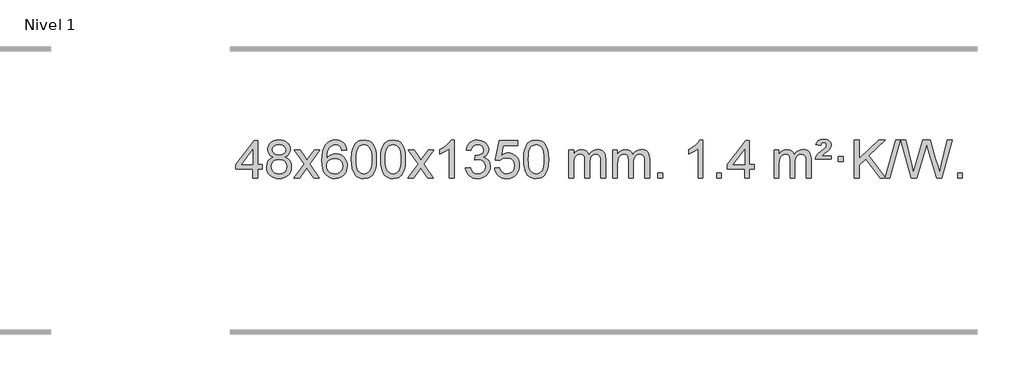
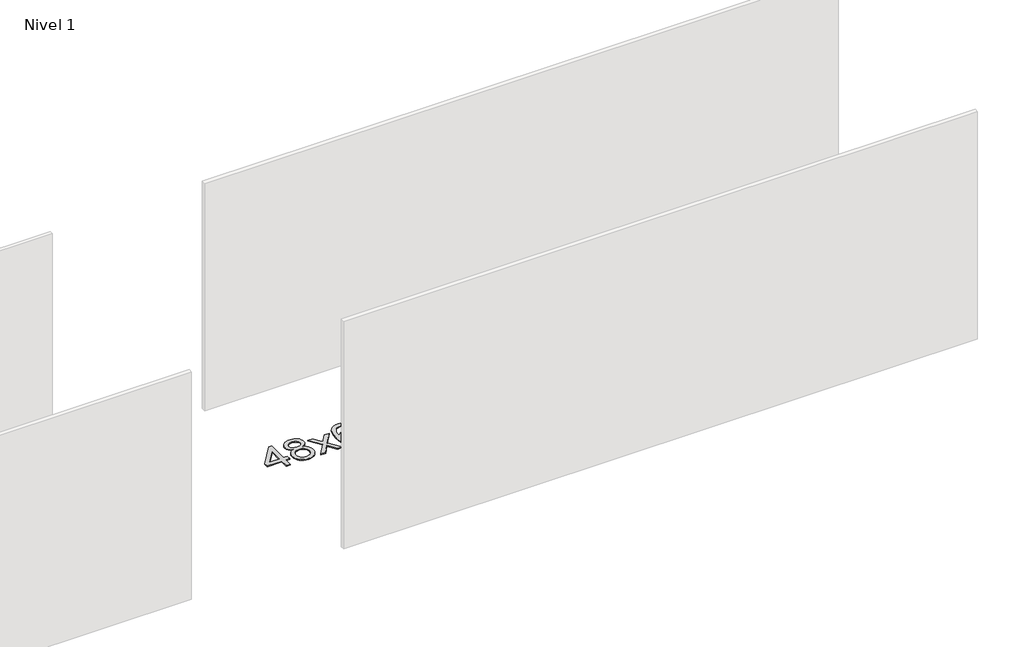
# One storey, part 10 of 10: 1 proxy.
"""IFC4 building model written with IfcOpenShell, lengths in millimetres."""

from ifc_helpers import new_model, si_unit, origin, origin_with_axes, place, context, project, spatial, polyline, outline, extrude, element, save

model = new_model("IFC4")

# Units and contexts
model_context = context("Model", 3, world=origin())
ifc_project = project(units=[si_unit("LENGTHUNIT", "METRE", prefix="MILLI")], contexts=[model_context])

# Site, building, storey
site = spatial("IfcSite", under=ifc_project)
building = spatial("IfcBuilding", under=site)
storey = spatial("IfcBuildingStorey", under=building, Name="Nivel 1", Elevation=0.0)

# Proxy
placement = place(None, origin())
element("IfcBuildingElementProxy", 1, Name="Texto de modelo 1", ObjectType="Texto de modelo 1", at=placement, inside=storey, context=model_context, shape_type="SweptSolid", body=[
    extrude(outline(polyline([(-1592.9282065, 2608.420547), (-1592.9282065, 2702.5983378), (-1775.0052686, 2702.5983378), (-1775.0052686, 2752.8264928), (-1580.3711677, 3003.9672682), (-1542.7000514, 3003.9672682), (-1542.7000514, 2752.8264928), (-1492.4718963, 2752.8264928), (-1492.4718963, 2702.5983378), (-1542.7000514, 2702.5983378), (-1542.7000514, 2608.420547), (-1592.9282065, 2608.420547)]), holes=[polyline([(-1592.9282065, 2752.8264928), (-1592.9282065, 2908.0236439), (-1713.2010934, 2752.8264928), (-1592.9282065, 2752.8264928)])]), origin_with_axes(), (0.0, 0.0, 1.0), 10.0),
    extrude(outline(polyline([(-1375.3382691, 2829.7383553), (-1402.2304429, 2842.9821071), (-1421.1027893, 2860.9347485), (-1432.2496137, 2883.2283974), (-1435.9652219, 2909.4951719), (-1433.9418709, 2929.9800676), (-1427.871818, 2948.7604435), (-1417.7550631, 2965.8362994), (-1403.5916063, 2981.2076355), (-1386.0620292, 2993.911827), (-1365.8469136, 3002.9862496), (-1342.9462594, 3008.4309031), (-1317.3600666, 3010.2457876), (-1291.6512465, 3008.3879835), (-1268.5789141, 3002.8145713), (-1248.1430692, 2993.5255509), (-1230.343712, 2980.5209224), (-1215.9227378, 2964.8491494), (-1205.6220419, 2947.5586956), (-1199.4416244, 2928.6495611), (-1197.3814853, 2908.1217457), (-1201.0480425, 2882.7010999), (-1212.0477141, 2860.7875957), (-1230.5031276, 2842.9453189), (-1256.5369101, 2829.7383553), (-1225.6225598, 2813.8090649), (-1203.1204444, 2790.3504564), (-1189.398446, 2760.4907011), (-1184.8244465, 2725.3579705), (-1187.0930521, 2700.3052067), (-1193.898869, 2677.3371074), (-1205.2418972, 2656.4536728), (-1221.1221367, 2637.6549029), (-1240.7057216, 2622.11802), (-1263.158786, 2611.0202464), (-1288.48133, 2604.3615823), (-1316.6733536, 2602.1420276), (-1344.8653771, 2604.3707794), (-1370.1879211, 2611.0570346), (-1392.6409856, 2622.2007934), (-1412.2245704, 2637.8020557), (-1428.1048099, 2656.73265), (-1439.4478381, 2677.864405), (-1446.253655, 2701.1973205), (-1448.5222606, 2726.7313967), (-1443.7643202, 2763.2252906), (-1429.4904987, 2793.2444614), (-1406.4365604, 2815.7588395), (-1375.3382691, 2829.7383553)]), holes=[polyline([(-1385.7370668, 2908.0236439), (-1381.2856946, 2886.097877), (-1367.9315782, 2868.586694), (-1346.067125, 2857.1087757), (-1316.0847424, 2853.282803), (-1286.8013355, 2857.0842503), (-1265.2679761, 2868.4885921), (-1252.0242243, 2885.4111639), (-1247.6096403, 2905.767301), (-1252.1713771, 2926.8959902), (-1265.8565873, 2944.370385), (-1287.6842523, 2956.1058206), (-1316.6733536, 2960.0176325), (-1345.8463958, 2956.1916598), (-1367.6372726, 2944.7137415), (-1381.2121182, 2927.8892716), (-1385.7370668, 2908.0236439)]), polyline([(-1398.2941056, 2728.4972302), (-1396.1971782, 2709.2815274), (-1389.9063961, 2690.6789611), (-1378.2935878, 2674.4553651), (-1360.2305818, 2662.376573), (-1338.5991205, 2654.8717803), (-1316.2809461, 2652.3701827), (-1282.092446, 2657.6308952), (-1268.1987693, 2664.2067859), (-1256.4388082, 2673.4130328), (-1240.3991532, 2697.3130998), (-1235.0526016, 2726.9276004), (-1240.5708315, 2757.0448731), (-1257.1255213, 2781.4722375), (-1269.2043134, 2790.9145421), (-1283.3677703, 2797.6590453), (-1317.9486778, 2803.0546479), (-1351.6589313, 2797.7326217), (-1365.3962581, 2791.080089), (-1377.0550517, 2781.7665431), (-1392.9843421, 2757.8051625), (-1398.2941056, 2728.4972302)])]), origin_with_axes(), (0.0, 0.0, 1.0), 10.0),
    extrude(outline(polyline([(-1159.7103689, 2608.420547), (-1052.3869282, 2756.7505675), (-1153.4318496, 2903.5109581), (-1093.0011005, 2903.5109581), (-1044.2444734, 2832.877615), (-1021.4848406, 2799.5229808), (-1001.7663657, 2826.7952993), (-946.2407099, 2903.5109581), (-885.8099608, 2903.5109581), (-991.9561791, 2756.7505675), (-889.7340354, 2608.420547), (-950.1647845, 2608.420547), (-1011.6746541, 2697.5951426), (-1022.9563686, 2713.8800523), (-1099.2796199, 2608.420547), (-1159.7103689, 2608.420547)])), origin_with_axes(), (0.0, 0.0, 1.0), 10.0),
    extrude(outline(polyline([(-600.9221437, 2903.5109581), (-651.1502988, 2897.2324387), (-659.2437027, 2922.125787), (-670.1820607, 2939.1219352), (-692.9662189, 2954.7937082), (-720.5083176, 2960.0176325), (-743.8565616, 2956.9764747), (-765.8313794, 2947.8530012), (-784.7037258, 2928.6372983), (-800.1179814, 2902.1865829), (-810.5290419, 2864.772984), (-814.3918028, 2812.6686307), (-794.2441322, 2836.1762902), (-770.0988106, 2852.7432427), (-743.3047386, 2862.565692), (-715.2108169, 2865.8398418), (-691.077758, 2863.601893), (-668.8086346, 2856.8880466), (-648.4034466, 2845.6983025), (-629.862194, 2830.0326609), (-614.4540698, 2810.8230894), (-603.4482668, 2789.0015557), (-596.844785, 2764.5680599), (-594.6436244, 2737.5226018), (-598.7884282, 2701.5560055), (-611.2228396, 2668.213634), (-630.9167891, 2639.9357713), (-656.840207, 2619.1627013), (-687.815871, 2606.397196), (-722.6665587, 2602.1420276), (-752.6090874, 2604.9624563), (-779.6514797, 2613.4237421), (-803.7937357, 2627.5258853), (-825.0358552, 2647.2688857), (-842.3539001, 2673.4866092), (-854.7239322, 2707.0129217), (-862.1459515, 2747.8478232), (-864.6199579, 2795.9913136), (-861.8731057, 2849.9657337), (-853.632549, 2896.0306908), (-839.8982878, 2934.1861851), (-820.6703222, 2964.4322165), (-799.8298072, 2984.4756538), (-775.6660915, 2998.7923948), (-748.179175, 3007.3824394), (-717.3690579, 3010.2457876), (-694.2354118, 3008.4738227), (-673.2967949, 3003.1579278), (-654.5532073, 2994.2981031), (-638.0046489, 2981.8943485), (-624.0987094, 2966.3635969), (-613.2829788, 2948.1227814), (-605.5574569, 2927.1719017), (-600.9221437, 2903.5109581)]), holes=[polyline([(-814.3918028, 2738.3074168), (-811.485535, 2716.0505561), (-802.7667318, 2694.7992395), (-789.2286743, 2676.527767), (-771.8646442, 2663.2104388), (-750.9076332, 2655.0802467), (-726.5906333, 2652.3701827), (-693.4444655, 2657.9865145), (-679.5293291, 2665.0069292), (-667.3861575, 2674.8355099), (-657.5361171, 2687.0737176), (-650.500374, 2701.3230135), (-644.8717794, 2735.8548701), (-650.4267976, 2769.0010379), (-657.3705702, 2782.6218688), (-667.0918519, 2794.274531), (-679.2718117, 2803.6095366), (-693.5916183, 2810.2773978), (-728.6507725, 2815.6116867), (-761.7478893, 2810.2773978), (-789.4248781, 2794.274531), (-800.3479076, 2782.7751529), (-808.1500716, 2769.6141746), (-812.83137, 2754.7915958), (-814.3918028, 2738.3074168)])]), origin_with_axes(), (0.0, 0.0, 1.0), 10.0),
    extrude(outline(polyline([(-550.6939887, 2806.0958057), (-547.002906, 2870.4138412), (-535.9296579, 2921.7088541), (-517.5846091, 2960.7656593), (-505.7265461, 2975.9990395), (-492.0781241, 2988.3690716), (-476.5933578, 2997.9401349), (-459.2262619, 3004.7766086), (-418.8450816, 3010.2457876), (-387.8939431, 3007.008426), (-360.1801661, 2997.2963414), (-337.0036004, 2981.4896783), (-319.6640957, 2959.9685816), (-306.5674967, 2932.9169922), (-296.119648, 2900.5188512), (-289.2770429, 2859.3773814), (-286.9961745, 2806.0958057), (-290.650469, 2742.1456523), (-301.6133525, 2690.9732667), (-319.8480367, 2651.8796734), (-331.6785085, 2636.6003078), (-345.3177335, 2624.1658964), (-360.8208939, 2614.5304538), (-378.2431721, 2607.6479948), (-418.8450816, 2602.1420276), (-446.5098076, 2604.5332606), (-471.035274, 2611.7069595), (-492.4214806, 2623.6631243), (-510.6684276, 2640.4017551), (-528.1796106, 2670.6600492), (-540.6875984, 2708.3618224), (-548.1923911, 2753.5070745), (-550.6939887, 2806.0958057)]), holes=[polyline([(-500.4658336, 2806.1939076), (-498.9943056, 2762.5293805), (-494.5797217, 2727.1851178), (-487.2220818, 2700.1611196), (-476.9213859, 2681.4573858), (-464.462449, 2668.7317344), (-450.630086, 2659.6419835), (-435.4242968, 2654.1881329), (-418.8450816, 2652.3701827), (-402.2658663, 2654.1942643), (-387.0600772, 2659.6665089), (-373.2277142, 2668.7869167), (-360.7687773, 2681.5554876), (-350.4680814, 2700.2898783), (-343.1104415, 2727.3077451), (-338.6958576, 2762.6090882), (-337.2243296, 2806.1939076), (-338.6468066, 2848.7026722), (-342.9142378, 2883.4246011), (-350.026623, 2910.3596945), (-359.9839624, 2929.5079524), (-372.2344328, 2942.8559375), (-386.2262114, 2952.3902125), (-401.959298, 2958.1107775), (-419.4336928, 2960.0176325), (-435.9270689, 2958.3376381), (-450.8753406, 2953.2976548), (-464.278508, 2944.8976825), (-476.136571, 2933.1377214), (-486.7806234, 2912.291075), (-494.3835179, 2884.1848906), (-498.9452547, 2848.8191681), (-500.4658336, 2806.1939076)])]), origin_with_axes(), (0.0, 0.0, 1.0), 10.0),
    extrude(outline(polyline([(-243.0465388, 2806.0958057), (-239.3554561, 2870.4138412), (-228.2822081, 2921.7088541), (-209.9371593, 2960.7656593), (-198.0790963, 2975.9990395), (-184.4306743, 2988.3690716), (-168.945908, 2997.9401349), (-151.5788121, 3004.7766086), (-111.1976318, 3010.2457876), (-80.2464932, 3007.008426), (-52.5327163, 2997.2963414), (-29.3561506, 2981.4896783), (-12.0166459, 2959.9685816), (1.0799532, 2932.9169922), (11.5278018, 2900.5188512), (18.3704069, 2859.3773814), (20.6512753, 2806.0958057), (16.9969808, 2742.1456523), (6.0340974, 2690.9732667), (-12.2005869, 2651.8796734), (-24.0310587, 2636.6003078), (-37.6702837, 2624.1658964), (-53.1734441, 2614.5304538), (-70.5957222, 2607.6479948), (-111.1976318, 2602.1420276), (-138.8623578, 2604.5332606), (-163.3878241, 2611.7069595), (-184.7740308, 2623.6631243), (-203.0209778, 2640.4017551), (-220.5321607, 2670.6600492), (-233.0401486, 2708.3618224), (-240.5449413, 2753.5070745), (-243.0465388, 2806.0958057)]), holes=[polyline([(-192.8183838, 2806.1939076), (-191.3468558, 2762.5293805), (-186.9322718, 2727.1851178), (-179.5746319, 2700.1611196), (-169.2739361, 2681.4573858), (-156.8149992, 2668.7317344), (-142.9826361, 2659.6419835), (-127.776847, 2654.1881329), (-111.1976318, 2652.3701827), (-94.6184165, 2654.1942643), (-79.4126274, 2659.6665089), (-65.5802644, 2668.7869167), (-53.1213275, 2681.5554876), (-42.8206316, 2700.2898783), (-35.4629917, 2727.3077451), (-31.0484077, 2762.6090882), (-29.5768798, 2806.1939076), (-30.9993568, 2848.7026722), (-35.266788, 2883.4246011), (-42.3791732, 2910.3596945), (-52.3365125, 2929.5079524), (-64.586983, 2942.8559375), (-78.5787615, 2952.3902125), (-94.3118482, 2958.1107775), (-111.786243, 2960.0176325), (-128.2796191, 2958.3376381), (-143.2278908, 2953.2976548), (-156.6310582, 2944.8976825), (-168.4891211, 2933.1377214), (-179.1331735, 2912.291075), (-186.7360681, 2884.1848906), (-191.2978048, 2848.8191681), (-192.8183838, 2806.1939076)])]), origin_with_axes(), (0.0, 0.0, 1.0), 10.0),
    extrude(outline(polyline([(45.7653528, 2608.420547), (153.0887936, 2756.7505675), (52.0438722, 2903.5109581), (112.4746213, 2903.5109581), (161.2312484, 2832.877615), (183.9908812, 2799.5229808), (203.7093561, 2826.7952993), (259.2350119, 2903.5109581), (319.665761, 2903.5109581), (213.5195426, 2756.7505675), (315.7416864, 2608.420547), (255.3109373, 2608.420547), (193.8010677, 2697.5951426), (182.5193532, 2713.8800523), (106.1961019, 2608.420547), (45.7653528, 2608.420547)])), origin_with_axes(), (0.0, 0.0, 1.0), 10.0),
    extrude(outline(polyline([(535.4898648, 2608.420547), (485.2617098, 2608.420547), (485.2617098, 2921.5617013), (464.292436, 2904.6023413), (437.682305, 2887.6675068), (384.8053996, 2862.3081746), (384.8053996, 2909.7894775), (424.2546122, 2931.2492605), (458.4308496, 2956.780271), (485.3720743, 2983.9299622), (503.1162492, 3010.2457876), (535.4898648, 3010.2457876), (535.4898648, 2608.420547)])), origin_with_axes(), (0.0, 0.0, 1.0), 10.0),
    extrude(outline(polyline([(654.7817331, 2715.1553765), (705.0098882, 2721.4338959), (716.2548145, 2689.8696207), (732.7236652, 2668.5569905), (755.2257805, 2656.4168846), (784.570501, 2652.3701827), (819.0042558, 2657.9374636), (833.2780772, 2664.8965646), (845.5898613, 2674.6393061), (862.5860095, 2699.5571799), (868.2513922, 2729.7725545), (862.6350604, 2758.4550874), (845.786065, 2781.7174922), (820.27958, 2797.1317478), (788.6907794, 2802.269833), (753.4722097, 2796.7761285), (759.064016, 2847.0042836), (767.108369, 2846.4156724), (797.2011162, 2850.020916), (824.1055528, 2860.8366466), (835.1788008, 2869.0158897), (843.0882637, 2879.1326445), (847.8339415, 2891.1869112), (849.415834, 2905.1786898), (844.8295718, 2926.8714648), (831.0707852, 2944.4684869), (810.076986, 2956.1303461), (783.7856861, 2960.0176325), (757.4453352, 2956.0935579), (735.9119758, 2944.3213341), (720.1911519, 2924.700961), (711.2884076, 2897.2324387), (661.0602525, 2903.5109581), (667.0138095, 2927.4907328), (675.8491087, 2948.6132907), (687.5661503, 2966.8786317), (702.1649341, 2982.286756), (719.1856078, 2994.5188323), (738.1683187, 3003.2560297), (759.113067, 3008.4983481), (782.0198525, 3010.2457876), (813.5963904, 3006.7999596), (842.5977544, 2996.4624755), (867.0496443, 2980.1530404), (884.9777602, 2958.7913592), (895.9774319, 2934.1800537), (899.6439891, 2908.1217457), (896.1613729, 2883.8415341), (885.7135242, 2861.8176653), (868.4475959, 2843.0556835), (844.5107408, 2828.5611329), (875.9523886, 2815.8569414), (899.2515817, 2794.22548), (913.6725559, 2764.8439714), (918.4795473, 2728.8896377), (916.0760516, 2703.4076782), (908.8655645, 2679.9368069), (896.848086, 2658.4770238), (880.023616, 2639.028329), (859.5264575, 2622.8905722), (836.4909133, 2611.363603), (810.9169832, 2604.4474215), (782.8046674, 2602.1420276), (757.3962843, 2604.1101963), (734.2442441, 2610.0147023), (713.3485468, 2619.8555457), (694.7091923, 2633.6327264), (679.0803389, 2650.5369041), (667.2161446, 2669.7587383), (659.1166093, 2691.2982292), (654.7817331, 2715.1553765)])), origin_with_axes(), (0.0, 0.0, 1.0), 10.0),
    extrude(outline(polyline([(962.429183, 2715.1553765), (1012.657338, 2721.4338959), (1021.8789134, 2691.2798351), (1037.9676193, 2669.6851619), (1060.8498794, 2656.6989275), (1090.4521173, 2652.3701827), (1109.581981, 2653.8754332), (1126.4555019, 2658.3911847), (1141.0726798, 2665.9174372), (1153.4335149, 2676.4541906), (1163.2620955, 2689.480279), (1170.2825102, 2704.4745359), (1175.898842, 2740.3675559), (1170.6381295, 2774.1636486), (1164.0622388, 2788.0818507), (1154.8559919, 2800.0134901), (1142.9887319, 2809.5845533), (1128.4298019, 2816.4210271), (1091.2369322, 2821.8902061), (1066.8708814, 2819.7074396), (1047.1401437, 2813.1591401), (1031.3825316, 2803.1282243), (1018.9358574, 2790.4976092), (968.7077023, 2796.7761285), (1012.657338, 3003.9672682), (1207.291439, 3003.9672682), (1207.291439, 2953.7391131), (1053.2715103, 2953.7391131), (1031.7872018, 2843.080209), (1049.5129826, 2855.7844006), (1067.667959, 2864.8588231), (1086.2521312, 2870.3034766), (1105.265499, 2872.1183612), (1129.726586, 2869.8681496), (1152.1949788, 2863.117515), (1172.6706775, 2851.8664573), (1191.1536821, 2836.1149766), (1206.4545074, 2816.8256973), (1217.3836684, 2794.961244), (1223.9411649, 2770.5216168), (1226.1269971, 2743.5068156), (1224.1588284, 2717.4852958), (1218.2543224, 2693.2786606), (1208.413479, 2670.8869098), (1194.6362983, 2650.3100435), (1173.7651265, 2629.2365366), (1149.4113384, 2614.1840316), (1121.5749341, 2605.1525286), (1090.2559136, 2602.1420276), (1064.3355613, 2604.0764738), (1040.922938, 2609.8798123), (1020.0180436, 2619.552043), (1001.6208782, 2633.0931662), (986.3139215, 2649.8287312), (974.6796534, 2669.084288), (966.7180739, 2690.8598364), (962.429183, 2715.1553765)])), origin_with_axes(), (0.0, 0.0, 1.0), 10.0),
    extrude(outline(polyline([(1270.0766328, 2806.0958057), (1273.7677155, 2870.4138412), (1284.8409635, 2921.7088541), (1303.1860124, 2960.7656593), (1315.0440753, 2975.9990395), (1328.6924974, 2988.3690716), (1344.1772637, 2997.9401349), (1361.5443595, 3004.7766086), (1401.9255399, 3010.2457876), (1432.8766784, 3007.008426), (1460.5904554, 2997.2963414), (1483.7670211, 2981.4896783), (1501.1065258, 2959.9685816), (1514.2031248, 2932.9169922), (1524.6509735, 2900.5188512), (1531.4935786, 2859.3773814), (1533.7744469, 2806.0958057), (1530.1201525, 2742.1456523), (1519.157269, 2690.9732667), (1500.9225848, 2651.8796734), (1489.0921129, 2636.6003078), (1475.452888, 2624.1658964), (1459.9497276, 2614.5304538), (1442.5274494, 2607.6479948), (1401.9255399, 2602.1420276), (1374.2608138, 2604.5332606), (1349.7353475, 2611.7069595), (1328.3491408, 2623.6631243), (1310.1021939, 2640.4017551), (1292.5910109, 2670.6600492), (1280.0830231, 2708.3618224), (1272.5782304, 2753.5070745), (1270.0766328, 2806.0958057)]), holes=[polyline([(1320.3047879, 2806.1939076), (1321.7763158, 2762.5293805), (1326.1908998, 2727.1851178), (1333.5485397, 2700.1611196), (1343.8492356, 2681.4573858), (1356.3081725, 2668.7317344), (1370.1405355, 2659.6419835), (1385.3463246, 2654.1881329), (1401.9255399, 2652.3701827), (1418.5047551, 2654.1942643), (1433.7105442, 2659.6665089), (1447.5429073, 2668.7869167), (1460.0018442, 2681.5554876), (1470.30254, 2700.2898783), (1477.6601799, 2727.3077451), (1482.0747639, 2762.6090882), (1483.5462919, 2806.1939076), (1482.1238148, 2848.7026722), (1477.8563837, 2883.4246011), (1470.7439984, 2910.3596945), (1460.7866591, 2929.5079524), (1448.5361887, 2942.8559375), (1434.5444101, 2952.3902125), (1418.8113234, 2958.1107775), (1401.3369287, 2960.0176325), (1384.8435526, 2958.3376381), (1369.8952808, 2953.2976548), (1356.4921135, 2944.8976825), (1344.6340505, 2933.1377214), (1333.9899981, 2912.291075), (1326.3871035, 2884.1848906), (1321.8253668, 2848.8191681), (1320.3047879, 2806.1939076)])]), origin_with_axes(), (0.0, 0.0, 1.0), 10.0),
    extrude(outline(polyline([(1747.244106, 2608.420547), (1747.244106, 2903.5109581), (1797.4722611, 2903.5109581), (1797.4722611, 2854.9505347), (1812.5799483, 2877.2564463), (1832.0041177, 2894.7308411), (1855.0825815, 2906.0248184), (1881.1531522, 2909.7894775), (1909.0876584, 2905.951242), (1931.4794092, 2894.4365355), (1948.2057772, 2876.0056476), (1959.1441352, 2851.4188676), (1977.4523959, 2876.9560094), (1998.3358304, 2895.196825), (2021.794439, 2906.1413143), (2047.8282215, 2909.7894775), (2067.9360383, 2908.2719642), (2085.585177, 2903.7194245), (2100.7756377, 2896.1318584), (2113.5074204, 2885.5092658), (2123.5720587, 2871.7290194), (2130.761086, 2854.6684918), (2135.0745024, 2834.3276832), (2136.5123078, 2810.7065934), (2136.5123078, 2608.420547), (2086.2841528, 2608.420547), (2086.2841528, 2789.124183), (2085.1191931, 2814.1769469), (2081.6243142, 2831.0627305), (2075.0760146, 2842.6264879), (2064.7507933, 2851.7131732), (2051.4702533, 2857.5992851), (2036.0559977, 2859.5613224), (2008.8449928, 2854.5336018), (1986.6617085, 2839.45044), (1978.0563355, 2827.8805512), (1971.9096405, 2813.2817674), (1966.9922845, 2774.9975144), (1966.9922845, 2608.420547), (1916.7641294, 2608.420547), (1916.7641294, 2794.7159894), (1913.8578616, 2823.1164794), (1905.1390583, 2843.3745146), (1889.7983791, 2855.5146204), (1867.0264836, 2859.5613224), (1847.6758907, 2856.8635211), (1829.8458767, 2848.7701172), (1815.1305968, 2835.4773144), (1805.1242066, 2817.1813165), (1799.3852475, 2791.7974589), (1797.4722611, 2757.2410768), (1797.4722611, 2608.420547), (1747.244106, 2608.420547)])), origin_with_axes(), (0.0, 0.0, 1.0), 10.0),
    extrude(outline(polyline([(2211.8545404, 2608.420547), (2211.8545404, 2903.5109581), (2262.0826955, 2903.5109581), (2262.0826955, 2854.9505347), (2277.1903828, 2877.2564463), (2296.6145521, 2894.7308411), (2319.693016, 2906.0248184), (2345.7635867, 2909.7894775), (2373.6980929, 2905.951242), (2396.0898436, 2894.4365355), (2412.8162117, 2876.0056476), (2423.7545697, 2851.4188676), (2442.0628303, 2876.9560094), (2462.9462649, 2895.196825), (2486.4048734, 2906.1413143), (2512.438656, 2909.7894775), (2532.5464727, 2908.2719642), (2550.1956114, 2903.7194245), (2565.3860721, 2896.1318584), (2578.1178548, 2885.5092658), (2588.1824931, 2871.7290194), (2595.3715204, 2854.6684918), (2599.6849368, 2834.3276832), (2601.1227423, 2810.7065934), (2601.1227423, 2608.420547), (2550.8945872, 2608.420547), (2550.8945872, 2789.124183), (2549.7296276, 2814.1769469), (2546.2347486, 2831.0627305), (2539.6864491, 2842.6264879), (2529.3612278, 2851.7131732), (2516.0806877, 2857.5992851), (2500.6664321, 2859.5613224), (2473.4554272, 2854.5336018), (2451.2721429, 2839.45044), (2442.6667699, 2827.8805512), (2436.5200749, 2813.2817674), (2431.6027189, 2774.9975144), (2431.6027189, 2608.420547), (2381.3745638, 2608.420547), (2381.3745638, 2794.7159894), (2378.4682961, 2823.1164794), (2369.7494928, 2843.3745146), (2354.4088136, 2855.5146204), (2331.6369181, 2859.5613224), (2312.2863251, 2856.8635211), (2294.4563111, 2848.7701172), (2279.7410313, 2835.4773144), (2269.734641, 2817.1813165), (2263.9956819, 2791.7974589), (2262.0826955, 2757.2410768), (2262.0826955, 2608.420547), (2211.8545404, 2608.420547)])), origin_with_axes(), (0.0, 0.0, 1.0), 10.0),
    extrude(outline(polyline([(2689.0220137, 2608.420547), (2689.0220137, 2658.6487021), (2739.2501687, 2658.6487021), (2739.2501687, 2608.420547), (2689.0220137, 2608.420547)])), origin_with_axes(), (0.0, 0.0, 1.0), 10.0),
    extrude(outline(polyline([(3166.1894869, 2608.420547), (3115.9613318, 2608.420547), (3115.9613318, 2921.5617013), (3094.9920581, 2904.6023413), (3068.3819271, 2887.6675068), (3015.5050216, 2862.3081746), (3015.5050216, 2909.7894775), (3054.9542343, 2931.2492605), (3089.1304716, 2956.780271), (3116.0716964, 2983.9299622), (3133.8158713, 3010.2457876), (3166.1894869, 3010.2457876), (3166.1894869, 2608.420547)])), origin_with_axes(), (0.0, 0.0, 1.0), 10.0),
    extrude(outline(polyline([(3310.5954327, 2608.420547), (3310.5954327, 2658.6487021), (3360.8235878, 2658.6487021), (3360.8235878, 2608.420547), (3310.5954327, 2608.420547)])), origin_with_axes(), (0.0, 0.0, 1.0), 10.0),
    extrude(outline(polyline([(3605.6858438, 2608.420547), (3605.6858438, 2702.5983378), (3423.6087816, 2702.5983378), (3423.6087816, 2752.8264928), (3618.2428825, 3003.9672682), (3655.9139988, 3003.9672682), (3655.9139988, 2752.8264928), (3706.1421539, 2752.8264928), (3706.1421539, 2702.5983378), (3655.9139988, 2702.5983378), (3655.9139988, 2608.420547), (3605.6858438, 2608.420547)]), holes=[polyline([(3605.6858438, 2752.8264928), (3605.6858438, 2908.0236439), (3485.4129568, 2752.8264928), (3605.6858438, 2752.8264928)])]), origin_with_axes(), (0.0, 0.0, 1.0), 10.0),
    extrude(outline(polyline([(3919.611813, 2608.420547), (3919.611813, 2903.5109581), (3969.8399681, 2903.5109581), (3969.8399681, 2854.9505347), (3984.9476553, 2877.2564463), (4004.3718247, 2894.7308411), (4027.4502885, 2906.0248184), (4053.5208592, 2909.7894775), (4081.4553654, 2905.951242), (4103.8471162, 2894.4365355), (4120.5734842, 2876.0056476), (4131.5118422, 2851.4188676), (4149.8201028, 2876.9560094), (4170.7035374, 2895.196825), (4194.162146, 2906.1413143), (4220.1959285, 2909.7894775), (4240.3037452, 2908.2719642), (4257.952884, 2903.7194245), (4273.1433447, 2896.1318584), (4285.8751274, 2885.5092658), (4295.9397656, 2871.7290194), (4303.128793, 2854.6684918), (4307.4422094, 2834.3276832), (4308.8800148, 2810.7065934), (4308.8800148, 2608.420547), (4258.6518597, 2608.420547), (4258.6518597, 2789.124183), (4257.4869001, 2814.1769469), (4253.9920211, 2831.0627305), (4247.4437216, 2842.6264879), (4237.1185003, 2851.7131732), (4223.8379603, 2857.5992851), (4208.4237047, 2859.5613224), (4181.2126998, 2854.5336018), (4159.0294155, 2839.45044), (4150.4240424, 2827.8805512), (4144.2773474, 2813.2817674), (4139.3599914, 2774.9975144), (4139.3599914, 2608.420547), (4089.1318364, 2608.420547), (4089.1318364, 2794.7159894), (4086.2255686, 2823.1164794), (4077.5067653, 2843.3745146), (4062.1660861, 2855.5146204), (4039.3941906, 2859.5613224), (4020.0435977, 2856.8635211), (4002.2135836, 2848.7701172), (3987.4983038, 2835.4773144), (3977.4919136, 2817.1813165), (3971.7529544, 2791.7974589), (3969.8399681, 2757.2410768), (3969.8399681, 2608.420547), (3919.611813, 2608.420547)])), origin_with_axes(), (0.0, 0.0, 1.0), 10.0),
    extrude(outline(polyline([(4352.8296505, 2809.3331673), (4356.6556233, 2825.1520931), (4364.9942818, 2841.0200698), (4386.5031158, 2866.1586728), (4418.4597984, 2893.8969753), (4462.6056379, 2931.273786), (4469.7425486, 2942.8007552), (4472.1215188, 2954.6220299), (4470.2330579, 2966.7130848), (4464.5676752, 2976.4987459), (4455.198947, 2982.973469), (4442.2004499, 2985.1317101), (4429.7660384, 2983.5130293), (4420.9123451, 2978.656987), (4414.4866729, 2969.1901569), (4409.336325, 2953.7391131), (4359.1081699, 2960.0176325), (4369.948426, 2985.2298119), (4386.5766922, 3002.7900458), (4410.3418691, 3013.0907417), (4442.5928573, 3016.524307), (4478.3755127, 3012.3917659), (4503.1217083, 2999.9941427), (4517.5426825, 2981.6613566), (4522.3496739, 2959.7233269), (4518.253921, 2936.8165414), (4505.9666624, 2915.1850801), (4485.438847, 2895.3685032), (4448.9694786, 2867.3113697), (4423.3648917, 2840.7257642), (4522.3496739, 2840.7257642), (4522.3496739, 2809.3331673), (4352.8296505, 2809.3331673)])), origin_with_axes(), (0.0, 0.0, 1.0), 10.0),
    extrude(outline(polyline([(4597.6919065, 2784.2190898), (4597.6919065, 2834.4472448), (4647.9200616, 2834.4472448), (4647.9200616, 2784.2190898), (4597.6919065, 2784.2190898)])), origin_with_axes(), (0.0, 0.0, 1.0), 10.0),
    extrude(outline(polyline([(5038.5616895, 2608.420547), (4885.1303721, 2811.0990009), (4817.440085, 2746.5479735), (4817.440085, 2608.420547), (4767.2119299, 2608.420547), (4767.2119299, 3010.2457876), (4817.440085, 3010.2457876), (4817.440085, 2813.5515475), (5023.4540023, 3010.2457876), (5093.6949379, 3010.2457876), (4920.7413492, 2845.0422463), (5095.3949591, 2614.4650668), (5206.7082868, 3010.2457876), (5252.0313486, 3010.2457876), (5139.0179997, 2608.420547), (5099.9734572, 2608.420547), (5093.6949379, 2608.420547), (5038.5616895, 2608.420547)])), origin_with_axes(), (0.0, 0.0, 1.0), 10.0),
    extrude(outline(polyline([(5366.5162255, 2608.420547), (5256.9364419, 3010.2457876), (5308.7342268, 3010.2457876), (5372.3042355, 2746.155566), (5391.9246086, 2664.6329159), (5412.9184078, 2736.7377869), (5492.5771225, 3010.2457876), (5567.2326421, 3010.2457876), (5625.1127426, 2811.9819177), (5649.9079891, 2738.4055186), (5668.1794615, 2664.6329159), (5687.2112234, 2743.8011212), (5751.3698434, 3010.2457876), (5803.1676283, 3010.2457876), (5693.4897428, 2608.420547), (5639.8280224, 2608.420547), (5543.4919906, 2918.4224416), (5530.0520351, 2961.6853642), (5514.9443478, 2909.5932737), (5427.1431783, 2608.420547), (5366.5162255, 2608.420547)])), origin_with_axes(), (0.0, 0.0, 1.0), 10.0),
    extrude(outline(polyline([(5859.6743028, 2608.420547), (5859.6743028, 2658.6487021), (5909.9024578, 2658.6487021), (5909.9024578, 2608.420547), (5859.6743028, 2608.420547)])), origin_with_axes(), (0.0, 0.0, 1.0), 10.0),
])

save(model, "model.ifc")
